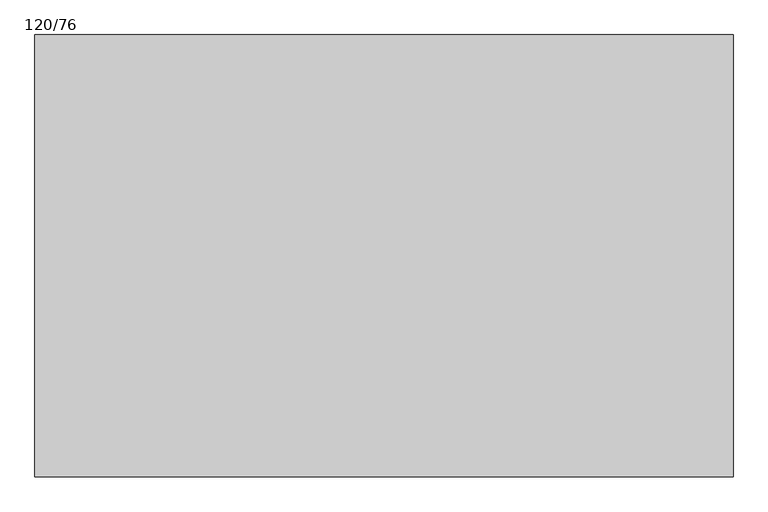
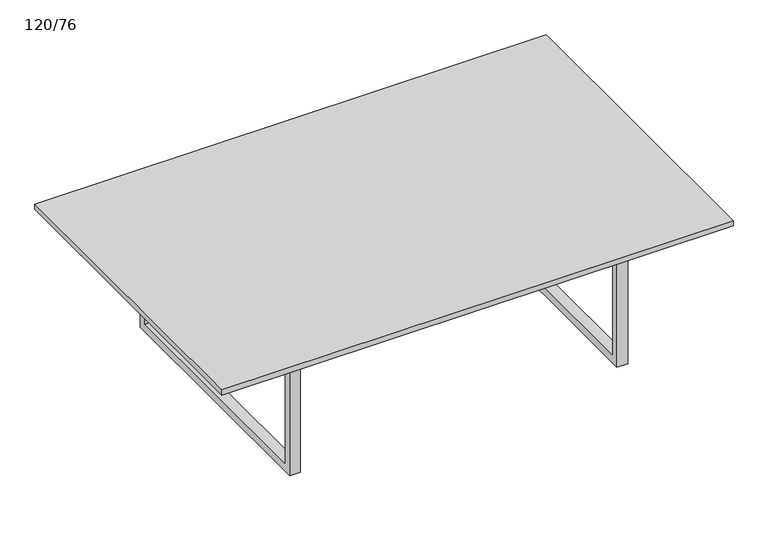
"""IFC4 building model written with IfcOpenShell, lengths in millimetres: furniture geometry, 120/76."""

from ifc_helpers import new_model, si_unit, frame, origin, place, context, project, spatial, polyline, outline, extrude, source, transform, mapped, element, save


def furniture_120_76_c221341c(model_context):
    return source(origin(), model_context, "Body", "SweptSolid", [
        extrude(outline(polyline([(975.1336303, 378.1358318), (975.1336303, 359.0858318), (232.3336303, 359.0858318), (232.3336303, 378.1358318), (975.1336303, 378.1358318)])), frame((0.0, 0.0, 298.25), z_axis=(0.0, 0.0, 1.0), x_axis=(1.0, 0.0, 0.0)), (0.0, 0.0, 1.0), 19.05),
        extrude(outline(polyline([(64.8108318, 317.3), (672.4108318, 317.3), (672.4108318, 0.0), (64.8108318, 0.0), (64.8108318, 317.3)]), holes=[polyline([(83.8608318, 298.25), (83.8608318, 19.05), (653.3608318, 19.05), (653.3608318, 298.25), (83.8608318, 298.25)])]), frame((975.1336303, 0.0, 0.0), z_axis=(1.0, 0.0, 0.0), x_axis=(0.0, 1.0, 0.0)), (0.0, 0.0, 1.0), 25.4),
        extrude(outline(polyline([(64.8108318, 317.3), (672.4108318, 317.3), (672.4108318, 0.0), (64.8108318, 0.0), (64.8108318, 317.3)]), holes=[polyline([(83.8608318, 298.25), (83.8608318, 19.05), (653.3608318, 19.05), (653.3608318, 298.25), (83.8608318, 298.25)])]), frame((206.9336303, 0.0, 0.0), z_axis=(1.0, 0.0, 0.0), x_axis=(0.0, 1.0, 0.0)), (0.0, 0.0, 1.0), 25.4),
        extrude(outline(polyline([(1203.7336303, 748.6108318), (1203.7336303, -11.3891682), (3.7336303, -11.3891682), (3.7336303, 748.6108318), (1203.7336303, 748.6108318)])), frame((0.0, 0.0, 317.3), z_axis=(0.0, 0.0, 1.0), x_axis=(1.0, 0.0, 0.0)), (0.0, 0.0, 1.0), 12.7),
    ])


if __name__ == "__main__":
    model = new_model("IFC4")
    model_context = context("Model", 3, world=origin())
    ifc_project = project(units=[si_unit("LENGTHUNIT", "METRE", prefix="MILLI")], contexts=[model_context])
    site = spatial("IfcSite", under=ifc_project)
    building = spatial("IfcBuilding", under=site)
    placement = place(None, origin())
    furniture_120_76_shape = furniture_120_76_c221341c(model_context)
    element("IfcFurniture", 1, ObjectType="120/76", at=placement, inside=building, context=model_context, shape_type="MappedRepresentation", body=[
        mapped(furniture_120_76_shape, transform((0.0, 0.0, 0.0), x_axis=(1.0, 0.0, 0.0), y_axis=(0.0, 1.0, 0.0), z_axis=(0.0, 0.0, 1.0))),
    ])
    save(model, "model.ifc")
